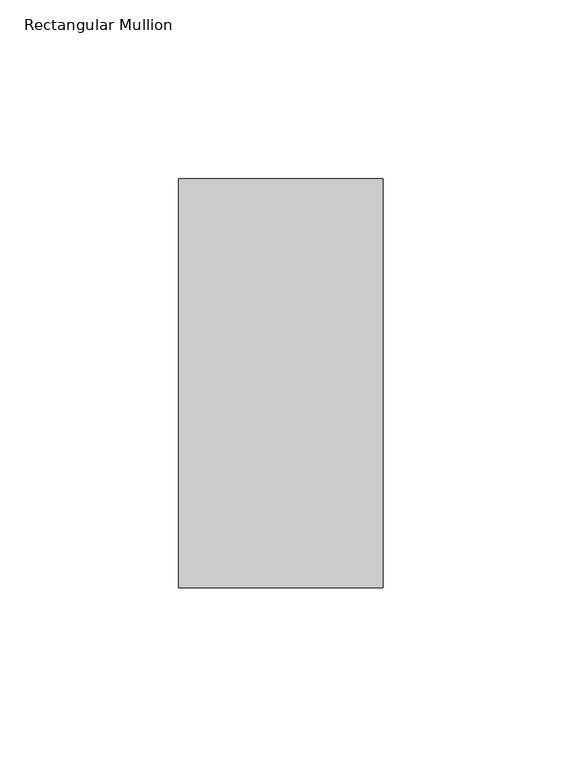
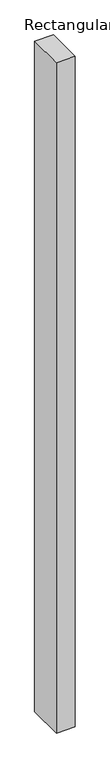
"""IFC4 building model written with IfcOpenShell, lengths in millimetres: member geometry, Rectangular Mullion."""

from ifc_helpers import new_model, si_unit, frame, origin, place, context, project, spatial, polyline, outline, extrude, source, transform, mapped, element, save


def rectangular_mullion_fa46a256(model_context):
    return source(origin(), model_context, "Body", "SweptSolid", [
        extrude(outline(polyline([(-57.15, 57.12714), (0.0, 57.12714), (0.0, -57.17286), (-57.15, -57.17286), (-57.15, 57.12714)])), frame((0.0, 0.0, -2159.0), z_axis=(0.0, 0.0, 1.0), x_axis=(1.0, 0.0, 0.0)), (0.0, 0.0, 1.0), 2159.0),
    ])


if __name__ == "__main__":
    model = new_model("IFC4")
    model_context = context("Model", 3, world=origin())
    ifc_project = project(units=[si_unit("LENGTHUNIT", "METRE", prefix="MILLI")], contexts=[model_context])
    site = spatial("IfcSite", under=ifc_project)
    building = spatial("IfcBuilding", under=site)
    placement = place(None, origin())
    rectangular_mullion_shape = rectangular_mullion_fa46a256(model_context)
    element("IfcMember", 1, ObjectType="Rectangular Mullion", at=placement, inside=building, context=model_context, shape_type="MappedRepresentation", body=[
        mapped(rectangular_mullion_shape, transform((0.0, 0.0, 0.0), x_axis=(1.0, 0.0, 0.0), y_axis=(0.0, 1.0, 0.0), z_axis=(0.0, 0.0, 1.0))),
    ])
    save(model, "model.ifc")
